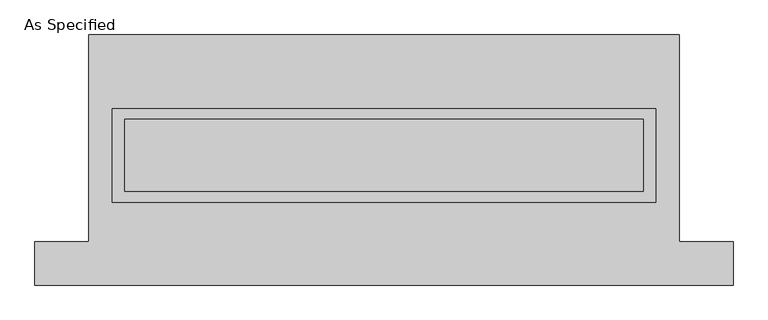
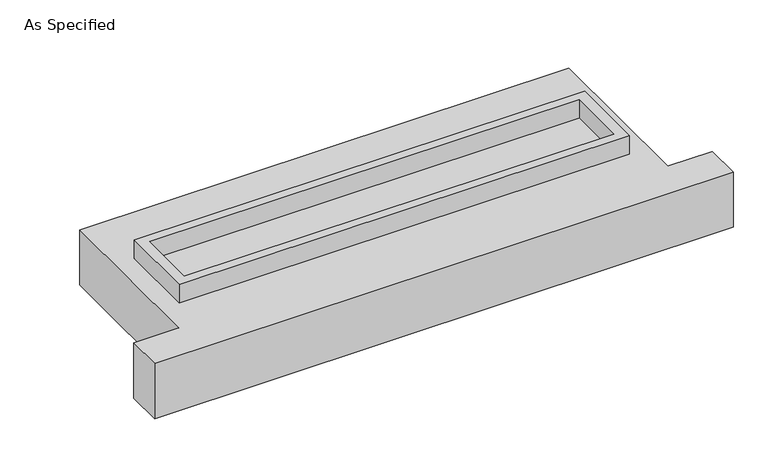
"""IFC4 building model written with IfcOpenShell, lengths in millimetres: proxy geometry, As Specified."""

from ifc_helpers import new_model, si_unit, frame, origin, place, context, project, spatial, polyline, outline, extrude, source, transform, mapped, element, save


def as_specified_0b6588af(model_context):
    return source(origin(), model_context, "Body", "SweptSolid", [
        extrude(outline(polyline([(1917.7, 361.95), (1917.7, -298.45), (-1917.7, -298.45), (-1917.7, 361.95), (1917.7, 361.95)]), holes=[polyline([(1828.8, 285.75), (-1828.8, 285.75), (-1828.8, -222.25), (1828.8, -222.25), (1828.8, 285.75)])]), frame((0.0, 0.0, -688.975), z_axis=(0.0, 0.0, 1.0), x_axis=(1.0, 0.0, 0.0)), (0.0, 0.0, 1.0), 165.1),
        extrude(outline(polyline([(1917.7, 361.95), (1917.7, -298.45), (-1917.7, -298.45), (-1917.7, 361.95), (1917.7, 361.95)]), holes=[polyline([(1828.8, 285.75), (-1828.8, 285.75), (-1828.8, -222.25), (1828.8, -222.25), (1828.8, 285.75)])]), frame((0.0, 0.0, -25.4), z_axis=(0.0, 0.0, 1.0), x_axis=(1.0, 0.0, 0.0)), (0.0, 0.0, 1.0), 165.1),
        extrude(outline(polyline([(1828.8, 285.75), (1828.8, -222.25), (-1828.8, -222.25), (-1828.8, 285.75), (1828.8, 285.75)])), frame((0.0, 0.0, -523.875), z_axis=(0.0, 0.0, 1.0), x_axis=(1.0, 0.0, 0.0)), (0.0, 0.0, 1.0), 4.9609375),
        extrude(outline(polyline([(1828.8, 285.75), (1828.8, -222.25), (-1828.8, -222.25), (-1828.8, 285.75), (1828.8, 285.75)])), frame((0.0, 0.0, -30.3609375), z_axis=(0.0, 0.0, 1.0), x_axis=(1.0, 0.0, 0.0)), (0.0, 0.0, 1.0), 4.9609375),
        extrude(outline(polyline([(-2082.8, 882.65), (2082.8, 882.65), (2082.8, -577.85), (2463.8, -577.85), (2463.8, -882.65), (-2463.8, -882.65), (-2463.8, -577.85), (-2082.8, -577.85), (-2082.8, 882.65)]), holes=[polyline([(-1917.7, 361.95), (-1917.7, -298.45), (1917.7, -298.45), (1917.7, 361.95), (-1917.7, 361.95)])]), frame((0.0, 0.0, -523.875), z_axis=(0.0, 0.0, 1.0), x_axis=(1.0, 0.0, 0.0)), (0.0, 0.0, 1.0), 498.475),
    ])


if __name__ == "__main__":
    model = new_model("IFC4")
    model_context = context("Model", 3, world=origin())
    ifc_project = project(units=[si_unit("LENGTHUNIT", "METRE", prefix="MILLI")], contexts=[model_context])
    site = spatial("IfcSite", under=ifc_project)
    building = spatial("IfcBuilding", under=site)
    placement = place(None, origin())
    as_specified_shape = as_specified_0b6588af(model_context)
    element("IfcBuildingElementProxy", 1, Name="As Specified", ObjectType="As Specified", at=placement, inside=building, context=model_context, shape_type="MappedRepresentation", body=[
        mapped(as_specified_shape, transform((0.0, 0.0, 0.0), x_axis=(1.0, 0.0, 0.0), y_axis=(0.0, 1.0, 0.0), z_axis=(0.0, 0.0, 1.0))),
    ])
    save(model, "model.ifc")
